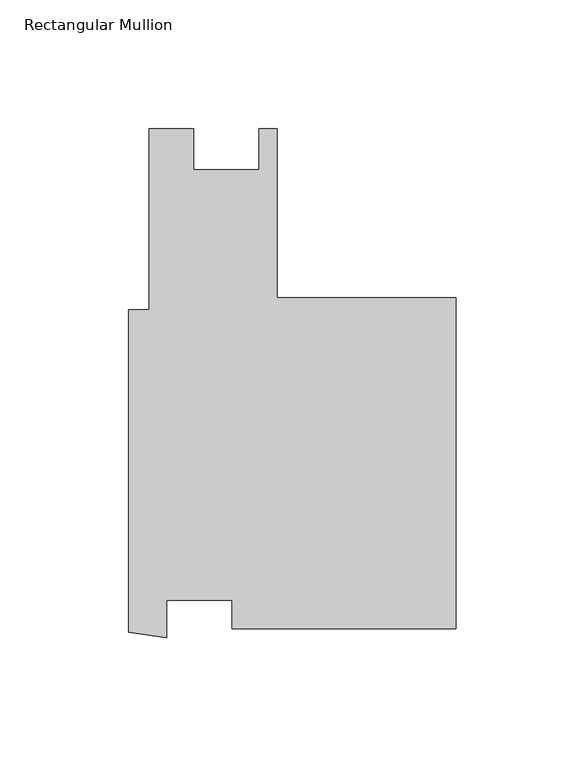
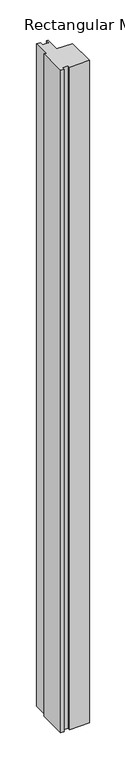
"""IFC4 building model written with IfcOpenShell, lengths in millimetres: member geometry, Rectangular Mullion."""

from ifc_helpers import new_model, si_unit, frame, origin, place, context, project, spatial, polyline, outline, extrude, source, transform, mapped, element, save


def rectangular_mullion_e91f0dd0(model_context):
    return source(origin(), model_context, "Body", "SweptSolid", [
        extrude(outline(polyline([(-127.0000009, 38.1), (-119.0624997, 38.1), (-119.0624997, 108.204), (-101.8413353, 108.204), (-101.8413353, 92.3290043), (-76.4413353, 92.3290043), (-76.4413353, 108.2040062), (-69.4753497, 108.2040062), (-69.4753497, 42.6456294), (0.0, 42.6456294), (0.0, -85.7249994), (-87.0098645, -85.7249994), (-87.0098645, -74.6251994), (-112.4098645, -74.6251994), (-112.4098645, -89.133275), (-127.0000009, -87.0653816), (-127.0000009, 38.1)])), frame((0.0, 0.0, -3048.0), z_axis=(0.0, 0.0, 1.0), x_axis=(1.0, 0.0, 0.0)), (0.0, 0.0, 1.0), 3048.0),
    ])


if __name__ == "__main__":
    model = new_model("IFC4")
    model_context = context("Model", 3, world=origin())
    ifc_project = project(units=[si_unit("LENGTHUNIT", "METRE", prefix="MILLI")], contexts=[model_context])
    site = spatial("IfcSite", under=ifc_project)
    building = spatial("IfcBuilding", under=site)
    placement = place(None, origin())
    rectangular_mullion_shape = rectangular_mullion_e91f0dd0(model_context)
    element("IfcMember", 1, ObjectType="Rectangular Mullion", at=placement, inside=building, context=model_context, shape_type="MappedRepresentation", body=[
        mapped(rectangular_mullion_shape, transform((0.0, 0.0, 0.0), x_axis=(1.0, 0.0, 0.0), y_axis=(0.0, 1.0, 0.0), z_axis=(0.0, 0.0, 1.0))),
    ])
    save(model, "model.ifc")
